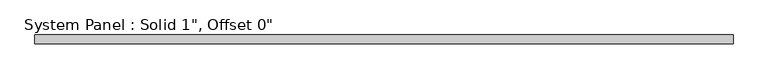
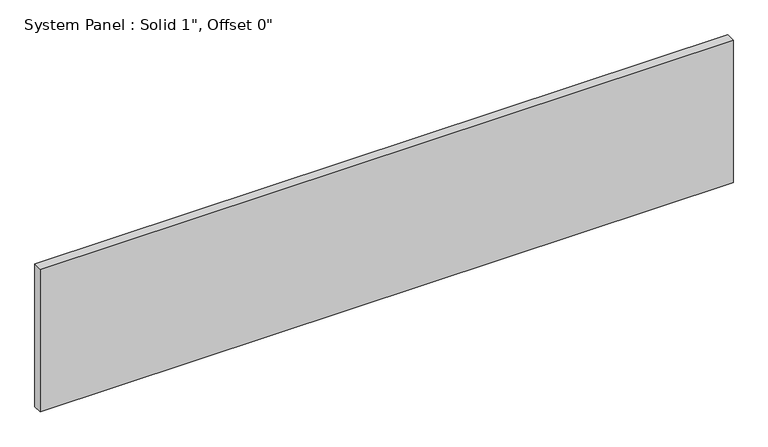
"""IFC4 building model written with IfcOpenShell, lengths in millimetres: plate geometry."""

import ifcopenshell
import ifcopenshell.guid

model = None  # the IFC model being written
_history = None  # IfcOwnerHistory: only IFC2X3 demands one
_inside = {}  # id of a spatial element -> (the spatial element, [elements in it])
_under = {}  # id of a project, library or spatial element -> (it, [spatial elements below it])
_declared = {}  # id of a project -> (the project, [libraries it declares])
_typed = {}  # id of a type object -> (the type object, [elements of that type])
_made_of = {}  # id of a material, layer set ... -> (it, [elements and type objects made of it])


def new_model(schema):
    """Start an empty IFC model of exactly this schema.

    Asked for "IFC4X3", IfcOpenShell would pick the latest addendum, in which some entities
    have other attributes; the version numbers below select the first issue.
    IFC2X3 requires an IfcOwnerHistory on every rooted entity: one is made here for all.
    """
    global model, _history
    if schema == "IFC4X3":
        model = ifcopenshell.file(schema_version=(4, 3, 0, 0))
    else:
        model = ifcopenshell.file(schema=schema)
    _inside.clear()
    _under.clear()
    _declared.clear()
    _typed.clear()
    _made_of.clear()
    _history = None
    if model.schema == "IFC2X3":
        org = make("IfcOrganization", Name="unknown")
        user = make(
            "IfcPersonAndOrganization",
            ThePerson=make("IfcPerson", FamilyName="unknown"),
            TheOrganization=org,
        )
        app = make(
            "IfcApplication",
            ApplicationDeveloper=org,
            Version="unknown",
            ApplicationFullName="unknown",
            ApplicationIdentifier="unknown",
        )
        _history = make(
            "IfcOwnerHistory",
            OwningUser=user,
            OwningApplication=app,
            ChangeAction="ADDED",
            CreationDate=0,
        )
    return model


def make(cls, **values):
    """One entity of the class cls with the attributes given. An attribute that is None is left unset."""
    return model.create_entity(
        cls, **{name: value for name, value in values.items() if value is not None}
    )


def rooted(cls, **values):
    """An entity with a GlobalId (a new one), such as an element, a storey or a relation."""
    return make(cls, GlobalId=ifcopenshell.guid.new(), OwnerHistory=_history, **values)


def si_unit(unit_type, name, prefix=None):
    """IfcSIUnit, for example si_unit("LENGTHUNIT", "METRE", prefix="MILLI")."""
    return make("IfcSIUnit", UnitType=unit_type, Prefix=prefix, Name=name)


def assignment(units):
    """IfcUnitAssignment: the units of a project."""
    return None if units is None else make("IfcUnitAssignment", Units=units)


def point(xyz):
    """IfcCartesianPoint."""
    return None if xyz is None else make("IfcCartesianPoint", Coordinates=xyz)


def direction(xyz):
    """IfcDirection."""
    return None if xyz is None else make("IfcDirection", DirectionRatios=xyz)


def frame(location, z_axis=None, x_axis=None):
    """IfcAxis2Placement3D, a coordinate frame: its origin and axes. An axis left out is left unset."""
    return make(
        "IfcAxis2Placement3D",
        Location=point(location),
        Axis=direction(z_axis),
        RefDirection=direction(x_axis),
    )


def origin():
    """The frame at (0, 0, 0) with its axes left unset."""
    return frame((0.0, 0.0, 0.0))


def origin_with_axes():
    """The frame at (0, 0, 0) with the z axis (0, 0, 1) and the x axis (1, 0, 0) written out."""
    return frame((0.0, 0.0, 0.0), z_axis=(0.0, 0.0, 1.0), x_axis=(1.0, 0.0, 0.0))


def place(relative_to, where):
    """IfcLocalPlacement: puts the frame where relative to a parent placement (None: the world)."""
    return make(
        "IfcLocalPlacement", PlacementRelTo=relative_to, RelativePlacement=where
    )


def context(
    kind, dimensions, precision=None, world=None, true_north=None, identifier=None
):
    """IfcGeometricRepresentationContext, for example the 3D "Model" context."""
    return make(
        "IfcGeometricRepresentationContext",
        ContextIdentifier=identifier,
        ContextType=kind,
        CoordinateSpaceDimension=dimensions,
        Precision=precision,
        WorldCoordinateSystem=world,
        TrueNorth=true_north,
    )


def project(units=None, contexts=None):
    """IfcProject with its units and contexts."""
    return rooted(
        "IfcProject",
        Name="project",
        RepresentationContexts=contexts,
        UnitsInContext=assignment(units),
    )


def spatial(cls, under=None, at=None, **own):
    """A site, building, storey or space (cls), placed at a placement, below another one or the project."""
    s = rooted(cls, ObjectPlacement=at, **own)
    if under is not None:
        _under.setdefault(under.id(), (under, []))[1].append(s)
    return s


def polyline(points):
    """IfcPolyline through the points."""
    return make("IfcPolyline", Points=[point(p) for p in points])


def outline(outer, holes=None, kind="AREA"):
    """IfcArbitraryClosedProfileDef: a profile drawn as a closed curve; with holes, ...WithVoids."""
    if holes is None:
        return make("IfcArbitraryClosedProfileDef", ProfileType=kind, OuterCurve=outer)
    return make(
        "IfcArbitraryProfileDefWithVoids",
        ProfileType=kind,
        OuterCurve=outer,
        InnerCurves=holes,
    )


def extrude(swept, where, along, depth):
    """IfcExtrudedAreaSolid: the profile swept, set in the frame where, extruded along a direction by depth."""
    return make(
        "IfcExtrudedAreaSolid",
        SweptArea=swept,
        Position=where,
        ExtrudedDirection=direction(along),
        Depth=depth,
    )


def shape(context_of_items, identifier, shape_type, items):
    """IfcShapeRepresentation: the items that make up one representation, for example the "Body"."""
    return make(
        "IfcShapeRepresentation",
        ContextOfItems=context_of_items,
        RepresentationIdentifier=identifier,
        RepresentationType=shape_type,
        Items=items,
    )


def source(mapping_origin, context_of_items, identifier, shape_type, items):
    """IfcRepresentationMap: a shape defined once, which mapped items show again and again."""
    return make(
        "IfcRepresentationMap",
        MappingOrigin=mapping_origin,
        MappedRepresentation=shape(context_of_items, identifier, shape_type, items),
    )


def transform(
    local_origin,
    x_axis=None,
    y_axis=None,
    z_axis=None,
    scale=None,
    scale2=None,
    scale3=None,
    uniform=True,
):
    """IfcCartesianTransformationOperator3D, or its non-uniform kind. x_axis, y_axis, z_axis: its Axis1, 2, 3."""
    if uniform:
        return make(
            "IfcCartesianTransformationOperator3D",
            Axis1=direction(x_axis),
            Axis2=direction(y_axis),
            LocalOrigin=point(local_origin),
            Scale=scale,
            Axis3=direction(z_axis),
        )
    return make(
        "IfcCartesianTransformationOperator3DnonUniform",
        Axis1=direction(x_axis),
        Axis2=direction(y_axis),
        LocalOrigin=point(local_origin),
        Scale=scale,
        Axis3=direction(z_axis),
        Scale2=scale2,
        Scale3=scale3,
    )


def mapped(mapping_source, mapping_target):
    """IfcMappedItem: shows the shape of a source again, moved by a transform."""
    return make(
        "IfcMappedItem", MappingSource=mapping_source, MappingTarget=mapping_target
    )


def made_of(thing, what):
    """Note that an element or type object is made of a material, layer set ...; save() writes the relation."""
    if what is not None:
        _made_of.setdefault(what.id(), (what, []))[1].append(thing)
    return thing


def element(
    cls,
    number,
    at=None,
    inside=None,
    cuts=None,
    type_object=None,
    material=None,
    context=None,
    identifier="Body",
    shape_type=None,
    held_by="IfcProductDefinitionShape",
    body=None,
    shapes=None,
    **own,
):
    """One element of the class cls, such as IfcWall. Its Tag is "e" and its number.

    at: its placement. inside: the storey or other place that contains it. cuts: it is an
    opening in that element (IfcRelVoidsElement). A single representation is given by context,
    identifier, shape_type and body (its items); several are given by shapes. held_by: the class
    of the entity that holds the representations. save() writes the other relations.
    """
    e = rooted(cls, Tag="e%d" % number, ObjectPlacement=at, **own)
    if body is not None:
        shapes = [shape(context, identifier, shape_type, body)]
    if shapes is not None:
        e.Representation = make(held_by, Representations=shapes)
    if inside is not None:
        _inside.setdefault(inside.id(), (inside, []))[1].append(e)
    if cuts is not None:
        rooted(
            "IfcRelVoidsElement", RelatingBuildingElement=cuts, RelatedOpeningElement=e
        )
    if type_object is not None:
        _typed.setdefault(type_object.id(), (type_object, []))[1].append(e)
    return made_of(e, material)


def aggregate(whole, parts):
    """IfcRelAggregates: a whole, such as a stair, and the parts it consists of."""
    return rooted("IfcRelAggregates", RelatingObject=whole, RelatedObjects=parts)


def save(model, path):
    """Write the relations noted so far, then the file.

    IfcRelAggregates (storeys below a building ...), IfcRelContainedInSpatialStructure (elements
    in a storey), IfcRelDefinesByType, IfcRelAssociatesMaterial and IfcRelDeclares: one each for
    every whole, place, type object, material and project.
    """
    for whole, parts in _under.values():
        aggregate(whole, parts)
    for where, things in _inside.values():
        rooted(
            "IfcRelContainedInSpatialStructure",
            RelatedElements=things,
            RelatingStructure=where,
        )
    for kind, things in _typed.values():
        rooted("IfcRelDefinesByType", RelatedObjects=things, RelatingType=kind)
    for what, things in _made_of.values():
        rooted("IfcRelAssociatesMaterial", RelatedObjects=things, RelatingMaterial=what)
    for by, libraries in _declared.values():
        rooted("IfcRelDeclares", RelatingContext=by, RelatedDefinitions=libraries)
    model.write(path)


def plate_a1e3f273(model_context):
    return source(origin(), model_context, "Body", "SweptSolid", [
        extrude(outline(polyline([(990.6, -12.7), (-990.6, -12.7), (-990.6, 12.7), (990.6, 12.7), (990.6, -12.7)])), origin_with_axes(), (0.0, 0.0, 1.0), 430.9789006),
    ])


if __name__ == "__main__":
    model = new_model("IFC4")
    model_context = context("Model", 3, world=origin())
    ifc_project = project(units=[si_unit("LENGTHUNIT", "METRE", prefix="MILLI")], contexts=[model_context])
    site = spatial("IfcSite", under=ifc_project)
    building = spatial("IfcBuilding", under=site)
    placement = place(None, origin())
    plate_shape = plate_a1e3f273(model_context)
    element("IfcPlate", 1, ObjectType="System Panel : Solid 1\", Offset 0\"", at=placement, inside=building, context=model_context, shape_type="MappedRepresentation", body=[
        mapped(plate_shape, transform((0.0, 0.0, 0.0), x_axis=(1.0, 0.0, 0.0), y_axis=(0.0, 1.0, 0.0), z_axis=(0.0, 0.0, 1.0))),
    ])
    save(model, "model.ifc")
